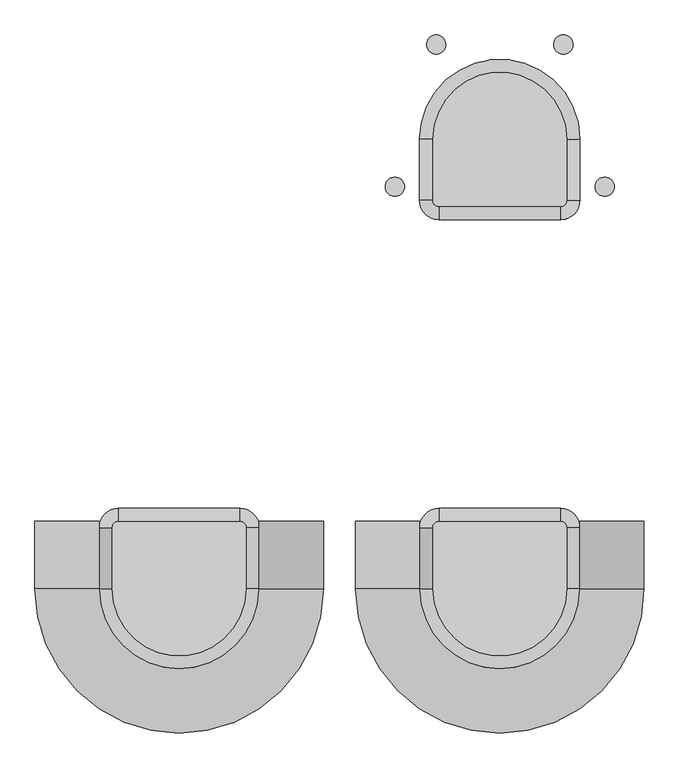
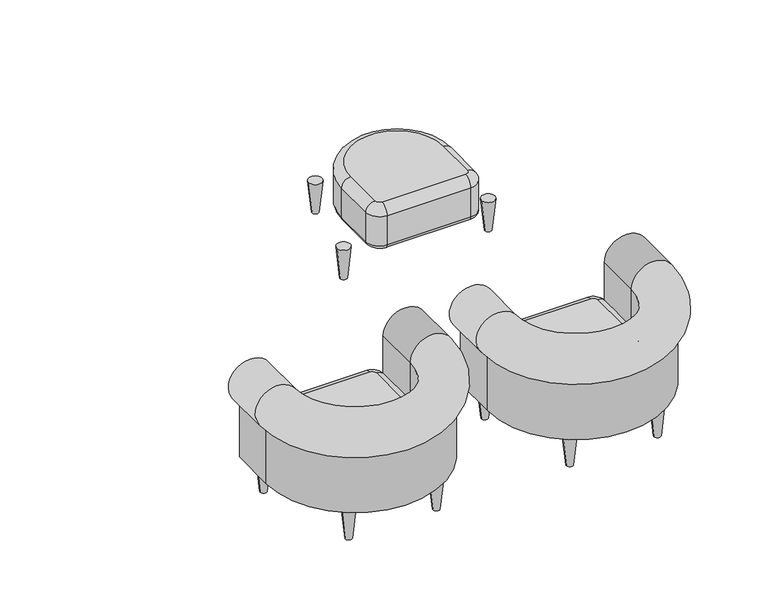
"""IFC4 building model written with IfcOpenShell, lengths in millimetres: furniture geometry."""

from ifc_helpers import new_model, si_unit, point, frame, origin, place, context, project, spatial, polyline, circle_curve, ellipse_curve, trimmed, source, transform, mapped, element, save
from ifc_brep_helpers import plane_surface, cylinder_surface, revolved_surface, advanced_brep


def furniture_6ce6c3d9(model_context):
    return source(origin(), model_context, "Body", "AdvancedBrep", [
        advanced_brep(
        [(250.0, -510.0, 310.0), (290.0, -510.0, 350.0), (310.0, -490.0, 350.0), (310.0, -450.0, 310.0), (310.0, -450.0, 170.0), (250.0, -510.0, 170.0), (310.0, -470.0, 150.0), (270.0, -510.0, 150.0), (250.0, -700.0, 310.0), (290.0, -700.0, 350.0), (250.0, -700.0, 170.0), (270.0, -700.0, 150.0), (750.0, -700.0, 310.0), (710.0, -700.0, 350.0), (750.0, -700.0, 170.0), (730.0, -700.0, 150.0), (750.0, -510.0, 310.0), (710.0, -510.0, 350.0), (750.0, -510.0, 170.0), (730.0, -510.0, 150.0), (690.0, -450.0, 310.0), (690.0, -490.0, 350.0), (690.0, -450.0, 170.0), (690.0, -470.0, 150.0)],
        [
            (0, 1, circle_curve(frame((290.0, -510.0, 310.0), z_axis=(0.0, 1.0, 0.0), x_axis=(1.0, 0.0, 0.0)), 40.0)),
            (1, 2, circle_curve(frame((310.0, -510.0, 350.0), z_axis=(0.0, 0.0, -1.0), x_axis=(0.0, 1.0, 0.0)), 20.0)),
            (2, 3, circle_curve(frame((310.0, -490.0, 310.0), z_axis=(-1.0, 0.0, 0.0), x_axis=(0.0, -1.0, 0.0)), 40.0)),
            (3, 0, circle_curve(frame((310.0, -510.0, 310.0), z_axis=(0.0, 0.0, 1.0), x_axis=(0.0, 1.0, 0.0)), 60.0)),
            (3, 4),
            (4, 5, circle_curve(frame((310.0, -510.0, 170.0), z_axis=(0.0, 0.0, 1.0), x_axis=(0.0, 1.0, 0.0)), 60.0)),
            (5, 0),
            (4, 6, circle_curve(frame((310.0, -470.0, 170.0), z_axis=(-1.0, 0.0, 0.0), x_axis=(0.0, -1.0, 0.0)), 20.0)),
            (6, 7, circle_curve(frame((310.0, -510.0, 150.0), z_axis=(0.0, 0.0, 1.0), x_axis=(0.0, 1.0, 0.0)), 40.0)),
            (7, 5, circle_curve(frame((270.0, -510.0, 170.0), z_axis=(0.0, 1.0, 0.0), x_axis=(1.0, 0.0, 0.0)), 20.0)),
            (0, 8),
            (8, 9, circle_curve(frame((290.0, -700.0, 310.0), z_axis=(0.0, 1.0, 0.0), x_axis=(1.0, 0.0, 0.0)), 40.0)),
            (9, 1),
            (5, 10),
            (10, 8),
            (7, 11),
            (11, 10, circle_curve(frame((270.0, -700.0, 170.0), z_axis=(0.0, 1.0, 0.0), x_axis=(1.0, 0.0, 0.0)), 20.0)),
            (8, 12, circle_curve(frame((500.0, -700.0, 310.0), z_axis=(0.0, 0.0, 1.0), x_axis=(-1.0, 0.0, 0.0)), 250.0)),
            (12, 13, circle_curve(frame((710.0, -700.0, 310.0), z_axis=(0.0, -1.0, 0.0), x_axis=(-1.0, 0.0, 0.0)), 40.0)),
            (13, 9, circle_curve(frame((500.0, -700.0, 350.0), z_axis=(0.0, 0.0, -1.0), x_axis=(-1.0, 0.0, 0.0)), 210.0)),
            (10, 14, circle_curve(frame((500.0, -700.0, 170.0), z_axis=(0.0, 0.0, 1.0), x_axis=(-1.0, 0.0, 0.0)), 250.0)),
            (14, 12),
            (11, 15, circle_curve(frame((500.0, -700.0, 150.0), z_axis=(0.0, 0.0, 1.0), x_axis=(-1.0, 0.0, 0.0)), 230.0)),
            (15, 14, circle_curve(frame((730.0, -700.0, 170.0), z_axis=(0.0, -1.0, 0.0), x_axis=(-1.0, 0.0, 0.0)), 20.0)),
            (12, 16),
            (16, 17, circle_curve(frame((710.0, -510.0, 310.0), z_axis=(0.0, -1.0, 0.0), x_axis=(-1.0, 0.0, 0.0)), 40.0)),
            (17, 13),
            (14, 18),
            (18, 16),
            (15, 19),
            (19, 18, circle_curve(frame((730.0, -510.0, 170.0), z_axis=(0.0, -1.0, 0.0), x_axis=(-1.0, 0.0, 0.0)), 20.0)),
            (16, 20, circle_curve(frame((690.0, -510.0, 310.0), z_axis=(0.0, 0.0, 1.0), x_axis=(1.0, 0.0, 0.0)), 60.0)),
            (20, 21, circle_curve(frame((690.0, -490.0, 310.0), z_axis=(1.0, 0.0, 0.0), x_axis=(0.0, -1.0, 0.0)), 40.0)),
            (21, 17, circle_curve(frame((690.0, -510.0, 350.0), z_axis=(0.0, 0.0, -1.0), x_axis=(1.0, 0.0, 0.0)), 20.0)),
            (18, 22, circle_curve(frame((690.0, -510.0, 170.0), z_axis=(0.0, 0.0, 1.0), x_axis=(1.0, 0.0, 0.0)), 60.0)),
            (22, 20),
            (19, 23, circle_curve(frame((690.0, -510.0, 150.0), z_axis=(0.0, 0.0, 1.0), x_axis=(1.0, 0.0, 0.0)), 40.0)),
            (23, 22, circle_curve(frame((690.0, -470.0, 170.0), z_axis=(1.0, 0.0, 0.0), x_axis=(0.0, -1.0, 0.0)), 20.0)),
            (2, 21),
            (20, 3),
            (22, 4),
            (23, 6),
        ],
        [
            revolved_surface(trimmed(ellipse_curve(frame((310.0, -490.0, 310.0), z_axis=(-1.0, 0.0, 0.0), x_axis=(0.0, -1.0, 0.0)), 40.0, 40.0), [point((310.0, -490.0, 350.0))], [point((310.0, -450.0, 310.0))], True, "CARTESIAN"), (310.0, -510.0, 150.0), (0.0, 0.0, -1.0)),
            cylinder_surface(frame((310.0, -510.0, 150.0), z_axis=(0.0, 0.0, -1.0), x_axis=(0.0, 1.0, 0.0)), 60.0),
            revolved_surface(trimmed(ellipse_curve(frame((310.0, -470.0, 170.0), z_axis=(-1.0, 0.0, 0.0), x_axis=(0.0, -1.0, 0.0)), 20.0, 20.0), [point((310.0, -450.0, 170.0))], [point((310.0, -470.0, 150.0))], True, "CARTESIAN"), (310.0, -510.0, 150.0), (0.0, 0.0, -1.0)),
            cylinder_surface(frame((290.0, -510.0, 310.0), z_axis=(0.0, 1.0, 0.0), x_axis=(1.0, 0.0, 0.0)), 40.0),
            plane_surface(frame((250.0, -510.0, 310.0), z_axis=(-1.0, 0.0, 0.0), x_axis=(0.0, -1.0, 0.0))),
            cylinder_surface(frame((270.0, -510.0, 170.0), z_axis=(0.0, 1.0, 0.0), x_axis=(1.0, 0.0, 0.0)), 20.0),
            revolved_surface(trimmed(ellipse_curve(frame((290.0, -700.0, 310.0), z_axis=(0.0, -1.0, 0.0), x_axis=(1.0, 0.0, 0.0)), 40.0, 40.0), [point((290.0, -700.0, 350.0))], [point((250.0, -700.0, 310.0))], True, "CARTESIAN"), (500.0, -700.0, 150.0), (0.0, 0.0, -1.0)),
            cylinder_surface(frame((500.0, -700.0, 150.0), z_axis=(0.0, 0.0, -1.0), x_axis=(-1.0, 0.0, 0.0)), 250.0),
            revolved_surface(trimmed(ellipse_curve(frame((270.0, -700.0, 170.0), z_axis=(0.0, -1.0, 0.0), x_axis=(1.0, 0.0, 0.0)), 20.0, 20.0), [point((250.0, -700.0, 170.0))], [point((270.0, -700.0, 150.0))], True, "CARTESIAN"), (500.0, -700.0, 150.0), (0.0, 0.0, -1.0)),
            cylinder_surface(frame((710.0, -700.0, 310.0), z_axis=(0.0, -1.0, 0.0), x_axis=(-1.0, 0.0, 0.0)), 40.0),
            plane_surface(frame((750.0, -700.0, 310.0), z_axis=(1.0, 0.0, 0.0), x_axis=(0.0, 1.0, 0.0))),
            cylinder_surface(frame((730.0, -700.0, 170.0), z_axis=(0.0, -1.0, 0.0), x_axis=(-1.0, 0.0, 0.0)), 20.0),
            revolved_surface(trimmed(ellipse_curve(frame((710.0, -510.0, 310.0), z_axis=(0.0, 1.0, 0.0), x_axis=(-1.0, 0.0, 0.0)), 40.0, 40.0), [point((710.0, -510.0, 350.0))], [point((750.0, -510.0, 310.0))], True, "CARTESIAN"), (690.0, -510.0, 150.0), (0.0, 0.0, -1.0)),
            cylinder_surface(frame((690.0, -510.0, 150.0), z_axis=(0.0, 0.0, -1.0), x_axis=(1.0, 0.0, 0.0)), 60.0),
            revolved_surface(trimmed(ellipse_curve(frame((730.0, -510.0, 170.0), z_axis=(0.0, 1.0, 0.0), x_axis=(-1.0, 0.0, 0.0)), 20.0, 20.0), [point((750.0, -510.0, 170.0))], [point((730.0, -510.0, 150.0))], True, "CARTESIAN"), (690.0, -510.0, 150.0), (0.0, 0.0, -1.0)),
            cylinder_surface(frame((690.0, -490.0, 310.0), z_axis=(1.0, 0.0, 0.0), x_axis=(0.0, -1.0, 0.0)), 40.0),
            plane_surface(frame((690.0, -450.0, 310.0), z_axis=(0.0, 1.0, 0.0), x_axis=(-1.0, 0.0, 0.0))),
            cylinder_surface(frame((690.0, -470.0, 170.0), z_axis=(1.0, 0.0, 0.0), x_axis=(0.0, -1.0, 0.0)), 20.0),
            plane_surface(frame((690.0, -470.0, 150.0), z_axis=(0.0, 0.0, -1.0), x_axis=(-1.0, 0.0, 0.0))),
            plane_surface(frame((690.0, -500.0, 350.0), z_axis=(0.0, 0.0, 1.0), x_axis=(-1.0, 0.0, 0.0))),
        ],
        [
            (0, [[1, 2, 3, 4]]),
            (1, [[5, 6, 7, -4]]),
            (2, [[8, 9, 10, -6]]),
            (3, [[11, 12, 13, -1]]),
            (4, [[14, 15, -11, -7]]),
            (5, [[16, 17, -14, -10]]),
            (6, [[18, 19, 20, -12]]),
            (7, [[21, 22, -18, -15]]),
            (8, [[23, 24, -21, -17]]),
            (9, [[25, 26, 27, -19]]),
            (10, [[28, 29, -25, -22]]),
            (11, [[30, 31, -28, -24]]),
            (12, [[32, 33, 34, -26]]),
            (13, [[35, 36, -32, -29]]),
            (14, [[37, 38, -35, -31]]),
            (15, [[39, -33, 40, -3]]),
            (16, [[-40, -36, 41, -5]]),
            (17, [[-41, -38, 42, -8]]),
            (18, [[-42, -37, -30, -23, -16, -9]]),
            (19, [[-13, -20, -27, -34, -39, -2]]),
        ],
    ),
        advanced_brep(
        [(857.231775, -552.485111, 150.0), (797.231775, -552.485111, 150.0), (842.231775, -552.485111, 0.0), (812.231775, -552.485111, 0.0)],
        [
            (0, 1, circle_curve(frame((827.231775, -552.485111, 150.0), z_axis=(0.0, 0.0, 1.0), x_axis=(-1.0, 0.0, 0.0)), 30.0)),
            (1, 0, circle_curve(frame((827.231775, -552.485111, 150.0), z_axis=(0.0, 0.0, 1.0), x_axis=(1.0, 0.0, 0.0)), 30.0)),
            (2, 3, circle_curve(frame((827.231775, -552.485111, 0.0), z_axis=(0.0, 0.0, -1.0), x_axis=(1.0, 0.0, 0.0)), 15.0)),
            (3, 2, circle_curve(frame((827.231775, -552.485111, 0.0), z_axis=(0.0, 0.0, -1.0), x_axis=(-1.0, 0.0, 0.0)), 15.0)),
            (2, 0),
            (1, 3),
        ],
        [
            plane_surface(frame((827.231775, -552.485111, 150.0), z_axis=(0.0, 0.0, 1.0), x_axis=(0.0, -1.0, 0.0))),
            plane_surface(frame((827.231775, -552.485111, 0.0), z_axis=(0.0, 0.0, -1.0), x_axis=(0.0, -1.0, 0.0))),
            revolved_surface(polyline([(842.231775, -552.485111, 0.0), (857.231775, -552.485111, 150.0)]), (827.231775, -552.485111, -150.0), (0.0, 0.0, 1.0)),
            revolved_surface(polyline([(812.231775, -552.485111, 0.0), (797.231775, -552.485111, 150.0)]), (827.231775, -552.485111, -150.0), (0.0, 0.0, 1.0)),
        ],
        [
            (0, [[1, 2]]),
            (1, [[3, 4]]),
            (2, [[5, -2, 6, -3]]),
            (3, [[-6, -1, -5, -4]]),
        ],
    ),
        advanced_brep(
        [(728.285525, -996.0241435, 150.0), (668.285525, -996.0241435, 150.0), (713.285525, -996.0241435, 0.0), (683.285525, -996.0241435, 0.0)],
        [
            (0, 1, circle_curve(frame((698.285525, -996.0241435, 150.0), z_axis=(0.0, 0.0, 1.0), x_axis=(-1.0, 0.0, 0.0)), 30.0)),
            (1, 0, circle_curve(frame((698.285525, -996.0241435, 150.0), z_axis=(0.0, 0.0, 1.0), x_axis=(1.0, 0.0, 0.0)), 30.0)),
            (2, 3, circle_curve(frame((698.285525, -996.0241435, 0.0), z_axis=(0.0, 0.0, -1.0), x_axis=(1.0, 0.0, 0.0)), 15.0)),
            (3, 2, circle_curve(frame((698.285525, -996.0241435, 0.0), z_axis=(0.0, 0.0, -1.0), x_axis=(-1.0, 0.0, 0.0)), 15.0)),
            (2, 0),
            (1, 3),
        ],
        [
            plane_surface(frame((698.285525, -996.0241435, 150.0), z_axis=(0.0, 0.0, 1.0), x_axis=(0.0, -1.0, 0.0))),
            plane_surface(frame((698.285525, -996.0241435, 0.0), z_axis=(0.0, 0.0, -1.0), x_axis=(0.0, -1.0, 0.0))),
            revolved_surface(polyline([(713.285525, -996.0241435, 0.0), (728.285525, -996.0241435, 150.0)]), (698.285525, -996.0241435, -150.0), (0.0, 0.0, 1.0)),
            revolved_surface(polyline([(683.285525, -996.0241435, 0.0), (668.285525, -996.0241435, 150.0)]), (698.285525, -996.0241435, -150.0), (0.0, 0.0, 1.0)),
        ],
        [
            (0, [[1, 2]]),
            (1, [[3, 4]]),
            (2, [[5, -2, 6, -3]]),
            (3, [[-6, -1, -5, -4]]),
        ],
    ),
        advanced_brep(
        [(271.714475, -996.0241435, 150.0), (331.714475, -996.0241435, 150.0), (286.714475, -996.0241435, 0.0), (316.714475, -996.0241435, 0.0)],
        [
            (0, 1, circle_curve(frame((301.714475, -996.0241435, 150.0), z_axis=(0.0, 0.0, 1.0), x_axis=(1.0, 0.0, 0.0)), 30.0)),
            (1, 0, circle_curve(frame((301.714475, -996.0241435, 150.0), z_axis=(0.0, 0.0, 1.0), x_axis=(-1.0, 0.0, 0.0)), 30.0)),
            (2, 3, circle_curve(frame((301.714475, -996.0241435, 0.0), z_axis=(0.0, 0.0, -1.0), x_axis=(-1.0, 0.0, 0.0)), 15.0)),
            (3, 2, circle_curve(frame((301.714475, -996.0241435, 0.0), z_axis=(0.0, 0.0, -1.0), x_axis=(1.0, 0.0, 0.0)), 15.0)),
            (2, 0),
            (1, 3),
        ],
        [
            plane_surface(frame((301.714475, -996.0241435, 150.0), z_axis=(0.0, 0.0, 1.0), x_axis=(0.0, 1.0, 0.0))),
            plane_surface(frame((301.714475, -996.0241435, 0.0), z_axis=(0.0, 0.0, -1.0), x_axis=(0.0, 1.0, 0.0))),
            revolved_surface(polyline([(286.714475, -996.0241435, 0.0), (271.714475, -996.0241435, 150.0)]), (301.714475, -996.0241435, -150.0), (0.0, 0.0, 1.0)),
            revolved_surface(polyline([(316.714475, -996.0241435, 0.0), (331.714475, -996.0241435, 150.0)]), (301.714475, -996.0241435, -150.0), (0.0, 0.0, 1.0)),
        ],
        [
            (0, [[1, 2]]),
            (1, [[3, 4]]),
            (2, [[5, -2, 6, -3]]),
            (3, [[-6, -1, -5, -4]]),
        ],
    ),
        advanced_brep(
        [(142.768225, -552.485111, 150.0), (202.768225, -552.485111, 150.0), (157.768225, -552.485111, 0.0), (187.768225, -552.485111, 0.0)],
        [
            (0, 1, circle_curve(frame((172.768225, -552.485111, 150.0), z_axis=(0.0, 0.0, 1.0), x_axis=(1.0, 0.0, 0.0)), 30.0)),
            (1, 0, circle_curve(frame((172.768225, -552.485111, 150.0), z_axis=(0.0, 0.0, 1.0), x_axis=(-1.0, 0.0, 0.0)), 30.0)),
            (2, 3, circle_curve(frame((172.768225, -552.485111, 0.0), z_axis=(0.0, 0.0, -1.0), x_axis=(-1.0, 0.0, 0.0)), 15.0)),
            (3, 2, circle_curve(frame((172.768225, -552.485111, 0.0), z_axis=(0.0, 0.0, -1.0), x_axis=(1.0, 0.0, 0.0)), 15.0)),
            (2, 0),
            (1, 3),
        ],
        [
            plane_surface(frame((172.768225, -552.485111, 150.0), z_axis=(0.0, 0.0, 1.0), x_axis=(0.0, 1.0, 0.0))),
            plane_surface(frame((172.768225, -552.485111, 0.0), z_axis=(0.0, 0.0, -1.0), x_axis=(0.0, 1.0, 0.0))),
            revolved_surface(polyline([(157.768225, -552.485111, 0.0), (142.768225, -552.485111, 150.0)]), (172.768225, -552.485111, -150.0), (0.0, 0.0, 1.0)),
            revolved_surface(polyline([(187.768225, -552.485111, 0.0), (202.768225, -552.485111, 150.0)]), (172.768225, -552.485111, -150.0), (0.0, 0.0, 1.0)),
        ],
        [
            (0, [[1, 2]]),
            (1, [[3, 4]]),
            (2, [[5, -2, 6, -3]]),
            (3, [[-6, -1, -5, -4]]),
        ],
    ),
        advanced_brep(
        [(750.0, -490.0, 500.0), (900.0, -490.0, 413.3974596), (900.0, -490.0, 150.0), (750.0, -490.0, 150.0), (750.0, -700.0, 150.0), (750.0, -700.0, 500.0), (900.0, -700.0, 150.0), (100.0, -700.0, 150.0), (100.0, -490.0, 150.0), (250.0, -490.0, 150.0), (250.0, -700.0, 150.0), (900.0, -700.0, 413.3974596), (250.0, -700.0, 500.0), (100.0, -700.0, 413.3974596), (250.0, -490.0, 500.0), (100.0, -490.0, 413.3974596)],
        [
            (0, 1, circle_curve(frame((850.0, -490.0, 500.0), z_axis=(0.0, 1.0, 0.0), x_axis=(1.0, 0.0, 0.0)), 100.0)),
            (1, 2),
            (2, 3),
            (3, 0),
            (3, 4),
            (4, 5),
            (5, 0),
            (2, 6),
            (6, 7, circle_curve(frame((500.0, -700.0, 150.0), z_axis=(0.0, 0.0, -1.0), x_axis=(1.0, 0.0, 0.0)), 400.0)),
            (7, 8),
            (8, 9),
            (9, 10),
            (10, 4, circle_curve(frame((500.0, -700.0, 150.0), z_axis=(0.0, 0.0, 1.0), x_axis=(1.0, 0.0, 0.0)), 250.0)),
            (1, 11),
            (11, 6),
            (5, 11, circle_curve(frame((850.0, -700.0, 500.0), z_axis=(0.0, 1.0, 0.0), x_axis=(1.0, 0.0, 0.0)), 100.0)),
            (10, 12),
            (12, 5, circle_curve(frame((500.0, -700.0, 500.0), z_axis=(0.0, 0.0, 1.0), x_axis=(1.0, 0.0, 0.0)), 250.0)),
            (13, 7),
            (11, 13, circle_curve(frame((500.0, -700.0, 413.3974596), z_axis=(0.0, 0.0, -1.0), x_axis=(1.0, 0.0, 0.0)), 400.0)),
            (12, 13, circle_curve(frame((150.0, -700.0, 500.0), z_axis=(0.0, -1.0, 0.0), x_axis=(-1.0, 0.0, 0.0)), 100.0)),
            (14, 9),
            (8, 15),
            (15, 14, circle_curve(frame((150.0, -490.0, 500.0), z_axis=(0.0, 1.0, 0.0), x_axis=(-1.0, 0.0, 0.0)), 100.0)),
            (14, 12),
            (13, 15),
        ],
        [
            plane_surface(frame((140.119898, -490.0, 0.0), z_axis=(0.0, 1.0, 0.0), x_axis=(0.0, 0.0, 1.0))),
            plane_surface(frame((750.0, -490.0, 500.0), z_axis=(-1.0, 0.0, 0.0), x_axis=(0.0, -1.0, 0.0))),
            plane_surface(frame((750.0, -490.0, 150.0), z_axis=(0.0, 0.0, -1.0), x_axis=(0.0, -1.0, 0.0))),
            plane_surface(frame((900.0, -490.0, 150.0), z_axis=(1.0, 0.0, 0.0), x_axis=(0.0, -1.0, 0.0))),
            cylinder_surface(frame((850.0, -490.0, 500.0), z_axis=(0.0, 1.0, 0.0), x_axis=(1.0, 0.0, 0.0)), 100.0),
            revolved_surface(polyline([(750.0, -700.0, 500.0), (750.0, -700.0, 150.0)]), (500.0, -700.0, 0.0), (0.0, 0.0, 1.0)),
            cylinder_surface(frame((500.0, -700.0, 0.0), z_axis=(0.0, 0.0, 1.0), x_axis=(1.0, 0.0, 0.0)), 400.0),
            revolved_surface(trimmed(ellipse_curve(frame((850.0, -700.0, 500.0), z_axis=(0.0, -1.0, 0.0), x_axis=(1.0, 0.0, 0.0)), 100.0, 100.0), [point((900.0, -700.0, 413.3974596))], [point((750.0, -700.0, 500.0))], True, "CARTESIAN"), (500.0, -700.0, 0.0), (0.0, 0.0, 1.0)),
            plane_surface(frame((-359.880102, -490.0, 0.0), z_axis=(0.0, 1.0, 0.0), x_axis=(0.0, 0.0, -1.0))),
            plane_surface(frame((250.0, -700.0, 500.0), z_axis=(1.0, 0.0, 0.0), x_axis=(0.0, 1.0, 0.0))),
            plane_surface(frame((100.0, -700.0, 150.0), z_axis=(-1.0, 0.0, 0.0), x_axis=(0.0, 1.0, 0.0))),
            cylinder_surface(frame((150.0, -700.0, 500.0), z_axis=(0.0, -1.0, 0.0), x_axis=(-1.0, 0.0, 0.0)), 100.0),
        ],
        [
            (0, [[1, 2, 3, 4]]),
            (1, [[5, 6, 7, -4]]),
            (2, [[8, 9, 10, 11, 12, 13, -5, -3]]),
            (3, [[14, 15, -8, -2]]),
            (4, [[-7, 16, -14, -1]]),
            (5, [[17, 18, -6, -13]]),
            (6, [[19, -9, -15, 20]]),
            (7, [[21, -20, -16, -18]]),
            (8, [[22, -11, 23, 24]]),
            (9, [[-12, -22, 25, -17]]),
            (10, [[26, -23, -10, -19]]),
            (11, [[-25, -24, -26, -21]]),
        ],
    ),
        advanced_brep(
        [(-750.0, -510.0, 310.0), (-710.0, -510.0, 350.0), (-690.0, -490.0, 350.0), (-690.0, -450.0, 310.0), (-690.0, -450.0, 170.0), (-750.0, -510.0, 170.0), (-690.0, -470.0, 150.0), (-730.0, -510.0, 150.0), (-750.0, -700.0, 310.0), (-710.0, -700.0, 350.0), (-750.0, -700.0, 170.0), (-730.0, -700.0, 150.0), (-250.0, -700.0, 310.0), (-290.0, -700.0, 350.0), (-250.0, -700.0, 170.0), (-270.0, -700.0, 150.0), (-250.0, -510.0, 310.0), (-290.0, -510.0, 350.0), (-250.0, -510.0, 170.0), (-270.0, -510.0, 150.0), (-310.0, -450.0, 310.0), (-310.0, -490.0, 350.0), (-310.0, -450.0, 170.0), (-310.0, -470.0, 150.0)],
        [
            (0, 1, circle_curve(frame((-710.0, -510.0, 310.0), z_axis=(0.0, 1.0, 0.0), x_axis=(1.0, 0.0, 0.0)), 40.0)),
            (1, 2, circle_curve(frame((-690.0, -510.0, 350.0), z_axis=(0.0, 0.0, -1.0), x_axis=(0.0, 1.0, 0.0)), 20.0)),
            (2, 3, circle_curve(frame((-690.0, -490.0, 310.0), z_axis=(-1.0, 0.0, 0.0), x_axis=(0.0, -1.0, 0.0)), 40.0)),
            (3, 0, circle_curve(frame((-690.0, -510.0, 310.0), z_axis=(0.0, 0.0, 1.0), x_axis=(0.0, 1.0, 0.0)), 60.0)),
            (3, 4),
            (4, 5, circle_curve(frame((-690.0, -510.0, 170.0), z_axis=(0.0, 0.0, 1.0), x_axis=(0.0, 1.0, 0.0)), 60.0)),
            (5, 0),
            (4, 6, circle_curve(frame((-690.0, -470.0, 170.0), z_axis=(-1.0, 0.0, 0.0), x_axis=(0.0, -1.0, 0.0)), 20.0)),
            (6, 7, circle_curve(frame((-690.0, -510.0, 150.0), z_axis=(0.0, 0.0, 1.0), x_axis=(0.0, 1.0, 0.0)), 40.0)),
            (7, 5, circle_curve(frame((-730.0, -510.0, 170.0), z_axis=(0.0, 1.0, 0.0), x_axis=(1.0, 0.0, 0.0)), 20.0)),
            (0, 8),
            (8, 9, circle_curve(frame((-710.0, -700.0, 310.0), z_axis=(0.0, 1.0, 0.0), x_axis=(1.0, 0.0, 0.0)), 40.0)),
            (9, 1),
            (5, 10),
            (10, 8),
            (7, 11),
            (11, 10, circle_curve(frame((-730.0, -700.0, 170.0), z_axis=(0.0, 1.0, 0.0), x_axis=(1.0, 0.0, 0.0)), 20.0)),
            (8, 12, circle_curve(frame((-500.0, -700.0, 310.0), z_axis=(0.0, 0.0, 1.0), x_axis=(-1.0, 0.0, 0.0)), 250.0)),
            (12, 13, circle_curve(frame((-290.0, -700.0, 310.0), z_axis=(0.0, -1.0, 0.0), x_axis=(-1.0, 0.0, 0.0)), 40.0)),
            (13, 9, circle_curve(frame((-500.0, -700.0, 350.0), z_axis=(0.0, 0.0, -1.0), x_axis=(-1.0, 0.0, 0.0)), 210.0)),
            (10, 14, circle_curve(frame((-500.0, -700.0, 170.0), z_axis=(0.0, 0.0, 1.0), x_axis=(-1.0, 0.0, 0.0)), 250.0)),
            (14, 12),
            (11, 15, circle_curve(frame((-500.0, -700.0, 150.0), z_axis=(0.0, 0.0, 1.0), x_axis=(-1.0, 0.0, 0.0)), 230.0)),
            (15, 14, circle_curve(frame((-270.0, -700.0, 170.0), z_axis=(0.0, -1.0, 0.0), x_axis=(-1.0, 0.0, 0.0)), 20.0)),
            (12, 16),
            (16, 17, circle_curve(frame((-290.0, -510.0, 310.0), z_axis=(0.0, -1.0, 0.0), x_axis=(-1.0, 0.0, 0.0)), 40.0)),
            (17, 13),
            (14, 18),
            (18, 16),
            (15, 19),
            (19, 18, circle_curve(frame((-270.0, -510.0, 170.0), z_axis=(0.0, -1.0, 0.0), x_axis=(-1.0, 0.0, 0.0)), 20.0)),
            (16, 20, circle_curve(frame((-310.0, -510.0, 310.0), z_axis=(0.0, 0.0, 1.0), x_axis=(1.0, 0.0, 0.0)), 60.0)),
            (20, 21, circle_curve(frame((-310.0, -490.0, 310.0), z_axis=(1.0, 0.0, 0.0), x_axis=(0.0, -1.0, 0.0)), 40.0)),
            (21, 17, circle_curve(frame((-310.0, -510.0, 350.0), z_axis=(0.0, 0.0, -1.0), x_axis=(1.0, 0.0, 0.0)), 20.0)),
            (18, 22, circle_curve(frame((-310.0, -510.0, 170.0), z_axis=(0.0, 0.0, 1.0), x_axis=(1.0, 0.0, 0.0)), 60.0)),
            (22, 20),
            (19, 23, circle_curve(frame((-310.0, -510.0, 150.0), z_axis=(0.0, 0.0, 1.0), x_axis=(1.0, 0.0, 0.0)), 40.0)),
            (23, 22, circle_curve(frame((-310.0, -470.0, 170.0), z_axis=(1.0, 0.0, 0.0), x_axis=(0.0, -1.0, 0.0)), 20.0)),
            (2, 21),
            (20, 3),
            (22, 4),
            (23, 6),
        ],
        [
            revolved_surface(trimmed(ellipse_curve(frame((-690.0, -490.0, 310.0), z_axis=(-1.0, 0.0, 0.0), x_axis=(0.0, -1.0, 0.0)), 40.0, 40.0), [point((-690.0, -490.0, 350.0))], [point((-690.0, -450.0, 310.0))], True, "CARTESIAN"), (-690.0, -510.0, 150.0), (0.0, 0.0, -1.0)),
            cylinder_surface(frame((-690.0, -510.0, 150.0), z_axis=(0.0, 0.0, -1.0), x_axis=(0.0, 1.0, 0.0)), 60.0),
            revolved_surface(trimmed(ellipse_curve(frame((-690.0, -470.0, 170.0), z_axis=(-1.0, 0.0, 0.0), x_axis=(0.0, -1.0, 0.0)), 20.0, 20.0), [point((-690.0, -450.0, 170.0))], [point((-690.0, -470.0, 150.0))], True, "CARTESIAN"), (-690.0, -510.0, 150.0), (0.0, 0.0, -1.0)),
            cylinder_surface(frame((-710.0, -510.0, 310.0), z_axis=(0.0, 1.0, 0.0), x_axis=(1.0, 0.0, 0.0)), 40.0),
            plane_surface(frame((-750.0, -510.0, 310.0), z_axis=(-1.0, 0.0, 0.0), x_axis=(0.0, -1.0, 0.0))),
            cylinder_surface(frame((-730.0, -510.0, 170.0), z_axis=(0.0, 1.0, 0.0), x_axis=(1.0, 0.0, 0.0)), 20.0),
            revolved_surface(trimmed(ellipse_curve(frame((-710.0, -700.0, 310.0), z_axis=(0.0, -1.0, 0.0), x_axis=(1.0, 0.0, 0.0)), 40.0, 40.0), [point((-710.0, -700.0, 350.0))], [point((-750.0, -700.0, 310.0))], True, "CARTESIAN"), (-500.0, -700.0, 150.0), (0.0, 0.0, -1.0)),
            cylinder_surface(frame((-500.0, -700.0, 150.0), z_axis=(0.0, 0.0, -1.0), x_axis=(-1.0, 0.0, 0.0)), 250.0),
            revolved_surface(trimmed(ellipse_curve(frame((-730.0, -700.0, 170.0), z_axis=(0.0, -1.0, 0.0), x_axis=(1.0, 0.0, 0.0)), 20.0, 20.0), [point((-750.0, -700.0, 170.0))], [point((-730.0, -700.0, 150.0))], True, "CARTESIAN"), (-500.0, -700.0, 150.0), (0.0, 0.0, -1.0)),
            cylinder_surface(frame((-290.0, -700.0, 310.0), z_axis=(0.0, -1.0, 0.0), x_axis=(-1.0, 0.0, 0.0)), 40.0),
            plane_surface(frame((-250.0, -700.0, 310.0), z_axis=(1.0, 0.0, 0.0), x_axis=(0.0, 1.0, 0.0))),
            cylinder_surface(frame((-270.0, -700.0, 170.0), z_axis=(0.0, -1.0, 0.0), x_axis=(-1.0, 0.0, 0.0)), 20.0),
            revolved_surface(trimmed(ellipse_curve(frame((-290.0, -510.0, 310.0), z_axis=(0.0, 1.0, 0.0), x_axis=(-1.0, 0.0, 0.0)), 40.0, 40.0), [point((-290.0, -510.0, 350.0))], [point((-250.0, -510.0, 310.0))], True, "CARTESIAN"), (-310.0, -510.0, 150.0), (0.0, 0.0, -1.0)),
            cylinder_surface(frame((-310.0, -510.0, 150.0), z_axis=(0.0, 0.0, -1.0), x_axis=(1.0, 0.0, 0.0)), 60.0),
            revolved_surface(trimmed(ellipse_curve(frame((-270.0, -510.0, 170.0), z_axis=(0.0, 1.0, 0.0), x_axis=(-1.0, 0.0, 0.0)), 20.0, 20.0), [point((-250.0, -510.0, 170.0))], [point((-270.0, -510.0, 150.0))], True, "CARTESIAN"), (-310.0, -510.0, 150.0), (0.0, 0.0, -1.0)),
            cylinder_surface(frame((-310.0, -490.0, 310.0), z_axis=(1.0, 0.0, 0.0), x_axis=(0.0, -1.0, 0.0)), 40.0),
            plane_surface(frame((-310.0, -450.0, 310.0), z_axis=(0.0, 1.0, 0.0), x_axis=(-1.0, 0.0, 0.0))),
            cylinder_surface(frame((-310.0, -470.0, 170.0), z_axis=(1.0, 0.0, 0.0), x_axis=(0.0, -1.0, 0.0)), 20.0),
            plane_surface(frame((-310.0, -470.0, 150.0), z_axis=(0.0, 0.0, -1.0), x_axis=(-1.0, 0.0, 0.0))),
            plane_surface(frame((-310.0, -500.0, 350.0), z_axis=(0.0, 0.0, 1.0), x_axis=(-1.0, 0.0, 0.0))),
        ],
        [
            (0, [[1, 2, 3, 4]]),
            (1, [[5, 6, 7, -4]]),
            (2, [[8, 9, 10, -6]]),
            (3, [[11, 12, 13, -1]]),
            (4, [[14, 15, -11, -7]]),
            (5, [[16, 17, -14, -10]]),
            (6, [[18, 19, 20, -12]]),
            (7, [[21, 22, -18, -15]]),
            (8, [[23, 24, -21, -17]]),
            (9, [[25, 26, 27, -19]]),
            (10, [[28, 29, -25, -22]]),
            (11, [[30, 31, -28, -24]]),
            (12, [[32, 33, 34, -26]]),
            (13, [[35, 36, -32, -29]]),
            (14, [[37, 38, -35, -31]]),
            (15, [[39, -33, 40, -3]]),
            (16, [[-40, -36, 41, -5]]),
            (17, [[-41, -38, 42, -8]]),
            (18, [[-42, -37, -30, -23, -16, -9]]),
            (19, [[-13, -20, -27, -34, -39, -2]]),
        ],
    ),
        advanced_brep(
        [(-142.768225, -552.485111, 150.0), (-202.768225, -552.485111, 150.0), (-157.768225, -552.485111, 0.0), (-187.768225, -552.485111, 0.0)],
        [
            (0, 1, circle_curve(frame((-172.768225, -552.485111, 150.0), z_axis=(0.0, 0.0, 1.0), x_axis=(-1.0, 0.0, 0.0)), 30.0)),
            (1, 0, circle_curve(frame((-172.768225, -552.485111, 150.0), z_axis=(0.0, 0.0, 1.0), x_axis=(1.0, 0.0, 0.0)), 30.0)),
            (2, 3, circle_curve(frame((-172.768225, -552.485111, 0.0), z_axis=(0.0, 0.0, -1.0), x_axis=(1.0, 0.0, 0.0)), 15.0)),
            (3, 2, circle_curve(frame((-172.768225, -552.485111, 0.0), z_axis=(0.0, 0.0, -1.0), x_axis=(-1.0, 0.0, 0.0)), 15.0)),
            (2, 0),
            (1, 3),
        ],
        [
            plane_surface(frame((-172.768225, -552.485111, 150.0), z_axis=(0.0, 0.0, 1.0), x_axis=(0.0, -1.0, 0.0))),
            plane_surface(frame((-172.768225, -552.485111, 0.0), z_axis=(0.0, 0.0, -1.0), x_axis=(0.0, -1.0, 0.0))),
            revolved_surface(polyline([(-157.768225, -552.485111, 0.0), (-142.768225, -552.485111, 150.0)]), (-172.768225, -552.485111, -150.0), (0.0, 0.0, 1.0)),
            revolved_surface(polyline([(-187.768225, -552.485111, 0.0), (-202.768225, -552.485111, 150.0)]), (-172.768225, -552.485111, -150.0), (0.0, 0.0, 1.0)),
        ],
        [
            (0, [[1, 2]]),
            (1, [[3, 4]]),
            (2, [[5, -2, 6, -3]]),
            (3, [[-6, -1, -5, -4]]),
        ],
    ),
        advanced_brep(
        [(-271.714475, -996.0241435, 150.0), (-331.714475, -996.0241435, 150.0), (-286.714475, -996.0241435, 0.0), (-316.714475, -996.0241435, 0.0)],
        [
            (0, 1, circle_curve(frame((-301.714475, -996.0241435, 150.0), z_axis=(0.0, 0.0, 1.0), x_axis=(-1.0, 0.0, 0.0)), 30.0)),
            (1, 0, circle_curve(frame((-301.714475, -996.0241435, 150.0), z_axis=(0.0, 0.0, 1.0), x_axis=(1.0, 0.0, 0.0)), 30.0)),
            (2, 3, circle_curve(frame((-301.714475, -996.0241435, 0.0), z_axis=(0.0, 0.0, -1.0), x_axis=(1.0, 0.0, 0.0)), 15.0)),
            (3, 2, circle_curve(frame((-301.714475, -996.0241435, 0.0), z_axis=(0.0, 0.0, -1.0), x_axis=(-1.0, 0.0, 0.0)), 15.0)),
            (2, 0),
            (1, 3),
        ],
        [
            plane_surface(frame((-301.714475, -996.0241435, 150.0), z_axis=(0.0, 0.0, 1.0), x_axis=(0.0, -1.0, 0.0))),
            plane_surface(frame((-301.714475, -996.0241435, 0.0), z_axis=(0.0, 0.0, -1.0), x_axis=(0.0, -1.0, 0.0))),
            revolved_surface(polyline([(-286.714475, -996.0241435, 0.0), (-271.714475, -996.0241435, 150.0)]), (-301.714475, -996.0241435, -150.0), (0.0, 0.0, 1.0)),
            revolved_surface(polyline([(-316.714475, -996.0241435, 0.0), (-331.714475, -996.0241435, 150.0)]), (-301.714475, -996.0241435, -150.0), (0.0, 0.0, 1.0)),
        ],
        [
            (0, [[1, 2]]),
            (1, [[3, 4]]),
            (2, [[5, -2, 6, -3]]),
            (3, [[-6, -1, -5, -4]]),
        ],
    ),
        advanced_brep(
        [(-728.285525, -996.0241435, 150.0), (-668.285525, -996.0241435, 150.0), (-713.285525, -996.0241435, 0.0), (-683.285525, -996.0241435, 0.0)],
        [
            (0, 1, circle_curve(frame((-698.285525, -996.0241435, 150.0), z_axis=(0.0, 0.0, 1.0), x_axis=(1.0, 0.0, 0.0)), 30.0)),
            (1, 0, circle_curve(frame((-698.285525, -996.0241435, 150.0), z_axis=(0.0, 0.0, 1.0), x_axis=(-1.0, 0.0, 0.0)), 30.0)),
            (2, 3, circle_curve(frame((-698.285525, -996.0241435, 0.0), z_axis=(0.0, 0.0, -1.0), x_axis=(-1.0, 0.0, 0.0)), 15.0)),
            (3, 2, circle_curve(frame((-698.285525, -996.0241435, 0.0), z_axis=(0.0, 0.0, -1.0), x_axis=(1.0, 0.0, 0.0)), 15.0)),
            (2, 0),
            (1, 3),
        ],
        [
            plane_surface(frame((-698.285525, -996.0241435, 150.0), z_axis=(0.0, 0.0, 1.0), x_axis=(0.0, 1.0, 0.0))),
            plane_surface(frame((-698.285525, -996.0241435, 0.0), z_axis=(0.0, 0.0, -1.0), x_axis=(0.0, 1.0, 0.0))),
            revolved_surface(polyline([(-713.285525, -996.0241435, 0.0), (-728.285525, -996.0241435, 150.0)]), (-698.285525, -996.0241435, -150.0), (0.0, 0.0, 1.0)),
            revolved_surface(polyline([(-683.285525, -996.0241435, 0.0), (-668.285525, -996.0241435, 150.0)]), (-698.285525, -996.0241435, -150.0), (0.0, 0.0, 1.0)),
        ],
        [
            (0, [[1, 2]]),
            (1, [[3, 4]]),
            (2, [[5, -2, 6, -3]]),
            (3, [[-6, -1, -5, -4]]),
        ],
    ),
        advanced_brep(
        [(-857.231775, -552.485111, 150.0), (-797.231775, -552.485111, 150.0), (-842.231775, -552.485111, 0.0), (-812.231775, -552.485111, 0.0)],
        [
            (0, 1, circle_curve(frame((-827.231775, -552.485111, 150.0), z_axis=(0.0, 0.0, 1.0), x_axis=(1.0, 0.0, 0.0)), 30.0)),
            (1, 0, circle_curve(frame((-827.231775, -552.485111, 150.0), z_axis=(0.0, 0.0, 1.0), x_axis=(-1.0, 0.0, 0.0)), 30.0)),
            (2, 3, circle_curve(frame((-827.231775, -552.485111, 0.0), z_axis=(0.0, 0.0, -1.0), x_axis=(-1.0, 0.0, 0.0)), 15.0)),
            (3, 2, circle_curve(frame((-827.231775, -552.485111, 0.0), z_axis=(0.0, 0.0, -1.0), x_axis=(1.0, 0.0, 0.0)), 15.0)),
            (2, 0),
            (1, 3),
        ],
        [
            plane_surface(frame((-827.231775, -552.485111, 150.0), z_axis=(0.0, 0.0, 1.0), x_axis=(0.0, 1.0, 0.0))),
            plane_surface(frame((-827.231775, -552.485111, 0.0), z_axis=(0.0, 0.0, -1.0), x_axis=(0.0, 1.0, 0.0))),
            revolved_surface(polyline([(-842.231775, -552.485111, 0.0), (-857.231775, -552.485111, 150.0)]), (-827.231775, -552.485111, -150.0), (0.0, 0.0, 1.0)),
            revolved_surface(polyline([(-812.231775, -552.485111, 0.0), (-797.231775, -552.485111, 150.0)]), (-827.231775, -552.485111, -150.0), (0.0, 0.0, 1.0)),
        ],
        [
            (0, [[1, 2]]),
            (1, [[3, 4]]),
            (2, [[5, -2, 6, -3]]),
            (3, [[-6, -1, -5, -4]]),
        ],
    ),
        advanced_brep(
        [(-250.0, -490.0, 500.0), (-100.0, -490.0, 413.3974596), (-100.0, -490.0, 150.0), (-250.0, -490.0, 150.0), (-250.0, -700.0, 150.0), (-250.0, -700.0, 500.0), (-100.0, -700.0, 150.0), (-900.0, -700.0, 150.0), (-900.0, -490.0, 150.0), (-750.0, -490.0, 150.0), (-750.0, -700.0, 150.0), (-100.0, -700.0, 413.3974596), (-750.0, -700.0, 500.0), (-900.0, -700.0, 413.3974596), (-750.0, -490.0, 500.0), (-900.0, -490.0, 413.3974596)],
        [
            (0, 1, circle_curve(frame((-150.0, -490.0, 500.0), z_axis=(0.0, 1.0, 0.0), x_axis=(1.0, 0.0, 0.0)), 100.0)),
            (1, 2),
            (2, 3),
            (3, 0),
            (3, 4),
            (4, 5),
            (5, 0),
            (2, 6),
            (6, 7, circle_curve(frame((-500.0, -700.0, 150.0), z_axis=(0.0, 0.0, -1.0), x_axis=(1.0, 0.0, 0.0)), 400.0)),
            (7, 8),
            (8, 9),
            (9, 10),
            (10, 4, circle_curve(frame((-500.0, -700.0, 150.0), z_axis=(0.0, 0.0, 1.0), x_axis=(1.0, 0.0, 0.0)), 250.0)),
            (1, 11),
            (11, 6),
            (5, 11, circle_curve(frame((-150.0, -700.0, 500.0), z_axis=(0.0, 1.0, 0.0), x_axis=(1.0, 0.0, 0.0)), 100.0)),
            (10, 12),
            (12, 5, circle_curve(frame((-500.0, -700.0, 500.0), z_axis=(0.0, 0.0, 1.0), x_axis=(1.0, 0.0, 0.0)), 250.0)),
            (13, 7),
            (11, 13, circle_curve(frame((-500.0, -700.0, 413.3974596), z_axis=(0.0, 0.0, -1.0), x_axis=(1.0, 0.0, 0.0)), 400.0)),
            (12, 13, circle_curve(frame((-850.0, -700.0, 500.0), z_axis=(0.0, -1.0, 0.0), x_axis=(-1.0, 0.0, 0.0)), 100.0)),
            (14, 9),
            (8, 15),
            (15, 14, circle_curve(frame((-850.0, -490.0, 500.0), z_axis=(0.0, 1.0, 0.0), x_axis=(-1.0, 0.0, 0.0)), 100.0)),
            (14, 12),
            (13, 15),
        ],
        [
            plane_surface(frame((-859.880102, -490.0, 0.0), z_axis=(0.0, 1.0, 0.0), x_axis=(0.0, 0.0, 1.0))),
            plane_surface(frame((-250.0, -490.0, 500.0), z_axis=(-1.0, 0.0, 0.0), x_axis=(0.0, -1.0, 0.0))),
            plane_surface(frame((-250.0, -490.0, 150.0), z_axis=(0.0, 0.0, -1.0), x_axis=(0.0, -1.0, 0.0))),
            plane_surface(frame((-100.0, -490.0, 150.0), z_axis=(1.0, 0.0, 0.0), x_axis=(0.0, -1.0, 0.0))),
            cylinder_surface(frame((-150.0, -490.0, 500.0), z_axis=(0.0, 1.0, 0.0), x_axis=(1.0, 0.0, 0.0)), 100.0),
            revolved_surface(polyline([(-250.0, -700.0, 500.0), (-250.0, -700.0, 150.0)]), (-500.0, -700.0, 0.0), (0.0, 0.0, 1.0)),
            cylinder_surface(frame((-500.0, -700.0, 0.0), z_axis=(0.0, 0.0, 1.0), x_axis=(1.0, 0.0, 0.0)), 400.0),
            revolved_surface(trimmed(ellipse_curve(frame((-150.0, -700.0, 500.0), z_axis=(0.0, -1.0, 0.0), x_axis=(1.0, 0.0, 0.0)), 100.0, 100.0), [point((-100.0, -700.0, 413.3974596))], [point((-250.0, -700.0, 500.0))], True, "CARTESIAN"), (-500.0, -700.0, 0.0), (0.0, 0.0, 1.0)),
            plane_surface(frame((-1359.880102, -490.0, 0.0), z_axis=(0.0, 1.0, 0.0), x_axis=(0.0, 0.0, -1.0))),
            plane_surface(frame((-750.0, -700.0, 500.0), z_axis=(1.0, 0.0, 0.0), x_axis=(0.0, 1.0, 0.0))),
            plane_surface(frame((-900.0, -700.0, 150.0), z_axis=(-1.0, 0.0, 0.0), x_axis=(0.0, 1.0, 0.0))),
            cylinder_surface(frame((-850.0, -700.0, 500.0), z_axis=(0.0, -1.0, 0.0), x_axis=(-1.0, 0.0, 0.0)), 100.0),
        ],
        [
            (0, [[1, 2, 3, 4]]),
            (1, [[5, 6, 7, -4]]),
            (2, [[8, 9, 10, 11, 12, 13, -5, -3]]),
            (3, [[14, 15, -8, -2]]),
            (4, [[-7, 16, -14, -1]]),
            (5, [[17, 18, -6, -13]]),
            (6, [[19, -9, -15, 20]]),
            (7, [[21, -20, -16, -18]]),
            (8, [[22, -11, 23, 24]]),
            (9, [[-12, -22, 25, -17]]),
            (10, [[26, -23, -10, -19]]),
            (11, [[-25, -24, -26, -21]]),
        ],
    ),
        advanced_brep(
        [(250.0, 510.0, 310.0), (310.0, 450.0, 310.0), (310.0, 490.0, 350.0), (290.0, 510.0, 350.0), (250.0, 510.0, 170.0), (310.0, 450.0, 170.0), (270.0, 510.0, 150.0), (310.0, 470.0, 150.0), (290.0, 700.0, 350.0), (250.0, 700.0, 310.0), (250.0, 700.0, 170.0), (270.0, 700.0, 150.0), (710.0, 700.0, 350.0), (750.0, 700.0, 310.0), (750.0, 700.0, 170.0), (730.0, 700.0, 150.0), (710.0, 510.0, 350.0), (750.0, 510.0, 310.0), (750.0, 510.0, 170.0), (730.0, 510.0, 150.0), (690.0, 490.0, 350.0), (690.0, 450.0, 310.0), (690.0, 450.0, 170.0), (690.0, 470.0, 150.0)],
        [
            (0, 1, circle_curve(frame((310.0, 510.0, 310.0), z_axis=(0.0, 0.0, 1.0), x_axis=(0.0, -1.0, 0.0)), 60.0)),
            (1, 2, circle_curve(frame((310.0, 490.0, 310.0), z_axis=(-1.0, 0.0, 0.0), x_axis=(0.0, 1.0, 0.0)), 40.0)),
            (2, 3, circle_curve(frame((310.0, 510.0, 350.0), z_axis=(0.0, 0.0, -1.0), x_axis=(0.0, -1.0, 0.0)), 20.0)),
            (3, 0, circle_curve(frame((290.0, 510.0, 310.0), z_axis=(0.0, -1.0, 0.0), x_axis=(1.0, 0.0, 0.0)), 40.0)),
            (0, 4),
            (4, 5, circle_curve(frame((310.0, 510.0, 170.0), z_axis=(0.0, 0.0, 1.0), x_axis=(0.0, -1.0, 0.0)), 60.0)),
            (5, 1),
            (4, 6, circle_curve(frame((270.0, 510.0, 170.0), z_axis=(0.0, -1.0, 0.0), x_axis=(1.0, 0.0, 0.0)), 20.0)),
            (6, 7, circle_curve(frame((310.0, 510.0, 150.0), z_axis=(0.0, 0.0, 1.0), x_axis=(0.0, -1.0, 0.0)), 40.0)),
            (7, 5, circle_curve(frame((310.0, 470.0, 170.0), z_axis=(-1.0, 0.0, 0.0), x_axis=(0.0, 1.0, 0.0)), 20.0)),
            (3, 8),
            (8, 9, circle_curve(frame((290.0, 700.0, 310.0), z_axis=(0.0, -1.0, 0.0), x_axis=(1.0, 0.0, 0.0)), 40.0)),
            (9, 0),
            (9, 10),
            (10, 4),
            (10, 11, circle_curve(frame((270.0, 700.0, 170.0), z_axis=(0.0, -1.0, 0.0), x_axis=(1.0, 0.0, 0.0)), 20.0)),
            (11, 6),
            (8, 12, circle_curve(frame((500.0, 700.0, 350.0), z_axis=(0.0, 0.0, -1.0), x_axis=(-1.0, 0.0, 0.0)), 210.0)),
            (12, 13, circle_curve(frame((710.0, 700.0, 310.0), z_axis=(0.0, 1.0, 0.0), x_axis=(-1.0, 0.0, 0.0)), 40.0)),
            (13, 9, circle_curve(frame((500.0, 700.0, 310.0), z_axis=(0.0, 0.0, 1.0), x_axis=(-1.0, 0.0, 0.0)), 250.0)),
            (13, 14),
            (14, 10, circle_curve(frame((500.0, 700.0, 170.0), z_axis=(0.0, 0.0, 1.0), x_axis=(-1.0, 0.0, 0.0)), 250.0)),
            (14, 15, circle_curve(frame((730.0, 700.0, 170.0), z_axis=(0.0, 1.0, 0.0), x_axis=(-1.0, 0.0, 0.0)), 20.0)),
            (15, 11, circle_curve(frame((500.0, 700.0, 150.0), z_axis=(0.0, 0.0, 1.0), x_axis=(-1.0, 0.0, 0.0)), 230.0)),
            (12, 16),
            (16, 17, circle_curve(frame((710.0, 510.0, 310.0), z_axis=(0.0, 1.0, 0.0), x_axis=(-1.0, 0.0, 0.0)), 40.0)),
            (17, 13),
            (17, 18),
            (18, 14),
            (18, 19, circle_curve(frame((730.0, 510.0, 170.0), z_axis=(0.0, 1.0, 0.0), x_axis=(-1.0, 0.0, 0.0)), 20.0)),
            (19, 15),
            (16, 20, circle_curve(frame((690.0, 510.0, 350.0), z_axis=(0.0, 0.0, -1.0), x_axis=(1.0, 0.0, 0.0)), 20.0)),
            (20, 21, circle_curve(frame((690.0, 490.0, 310.0), z_axis=(1.0, 0.0, 0.0), x_axis=(0.0, 1.0, 0.0)), 40.0)),
            (21, 17, circle_curve(frame((690.0, 510.0, 310.0), z_axis=(0.0, 0.0, 1.0), x_axis=(1.0, 0.0, 0.0)), 60.0)),
            (21, 22),
            (22, 18, circle_curve(frame((690.0, 510.0, 170.0), z_axis=(0.0, 0.0, 1.0), x_axis=(1.0, 0.0, 0.0)), 60.0)),
            (22, 23, circle_curve(frame((690.0, 470.0, 170.0), z_axis=(1.0, 0.0, 0.0), x_axis=(0.0, 1.0, 0.0)), 20.0)),
            (23, 19, circle_curve(frame((690.0, 510.0, 150.0), z_axis=(0.0, 0.0, 1.0), x_axis=(1.0, 0.0, 0.0)), 40.0)),
            (1, 21),
            (20, 2),
            (5, 22),
            (7, 23),
        ],
        [
            revolved_surface(trimmed(ellipse_curve(frame((310.0, 490.0, 310.0), z_axis=(1.0, 0.0, 0.0), x_axis=(0.0, 1.0, 0.0)), 40.0, 40.0), [point((310.0, 490.0, 350.0))], [point((310.0, 450.0, 310.0))], True, "CARTESIAN"), (310.0, 510.0, 150.0), (0.0, 0.0, -1.0)),
            cylinder_surface(frame((310.0, 510.0, 150.0), z_axis=(0.0, 0.0, -1.0), x_axis=(0.0, -1.0, 0.0)), 60.0),
            revolved_surface(trimmed(ellipse_curve(frame((310.0, 470.0, 170.0), z_axis=(1.0, 0.0, 0.0), x_axis=(0.0, 1.0, 0.0)), 20.0, 20.0), [point((310.0, 450.0, 170.0))], [point((310.0, 470.0, 150.0))], True, "CARTESIAN"), (310.0, 510.0, 150.0), (0.0, 0.0, -1.0)),
            cylinder_surface(frame((290.0, 510.0, 310.0), z_axis=(0.0, -1.0, 0.0), x_axis=(1.0, 0.0, 0.0)), 40.0),
            plane_surface(frame((250.0, 510.0, 310.0), z_axis=(-1.0, 0.0, 0.0), x_axis=(0.0, 1.0, 0.0))),
            cylinder_surface(frame((270.0, 510.0, 170.0), z_axis=(0.0, -1.0, 0.0), x_axis=(1.0, 0.0, 0.0)), 20.0),
            revolved_surface(trimmed(ellipse_curve(frame((290.0, 700.0, 310.0), z_axis=(0.0, -1.0, 0.0), x_axis=(1.0, 0.0, 0.0)), 40.0, 40.0), [point((290.0, 700.0, 350.0))], [point((250.0, 700.0, 310.0))], True, "CARTESIAN"), (500.0, 700.0, 150.0), (0.0, 0.0, -1.0)),
            cylinder_surface(frame((500.0, 700.0, 150.0), z_axis=(0.0, 0.0, -1.0), x_axis=(-1.0, 0.0, 0.0)), 250.0),
            revolved_surface(trimmed(ellipse_curve(frame((270.0, 700.0, 170.0), z_axis=(0.0, -1.0, 0.0), x_axis=(1.0, 0.0, 0.0)), 20.0, 20.0), [point((250.0, 700.0, 170.0))], [point((270.0, 700.0, 150.0))], True, "CARTESIAN"), (500.0, 700.0, 150.0), (0.0, 0.0, -1.0)),
            cylinder_surface(frame((710.0, 700.0, 310.0), z_axis=(0.0, 1.0, 0.0), x_axis=(-1.0, 0.0, 0.0)), 40.0),
            plane_surface(frame((750.0, 700.0, 310.0), z_axis=(1.0, 0.0, 0.0), x_axis=(0.0, -1.0, 0.0))),
            cylinder_surface(frame((730.0, 700.0, 170.0), z_axis=(0.0, 1.0, 0.0), x_axis=(-1.0, 0.0, 0.0)), 20.0),
            revolved_surface(trimmed(ellipse_curve(frame((710.0, 510.0, 310.0), z_axis=(0.0, 1.0, 0.0), x_axis=(-1.0, 0.0, 0.0)), 40.0, 40.0), [point((710.0, 510.0, 350.0))], [point((750.0, 510.0, 310.0))], True, "CARTESIAN"), (690.0, 510.0, 150.0), (0.0, 0.0, -1.0)),
            cylinder_surface(frame((690.0, 510.0, 150.0), z_axis=(0.0, 0.0, -1.0), x_axis=(1.0, 0.0, 0.0)), 60.0),
            revolved_surface(trimmed(ellipse_curve(frame((730.0, 510.0, 170.0), z_axis=(0.0, 1.0, 0.0), x_axis=(-1.0, 0.0, 0.0)), 20.0, 20.0), [point((750.0, 510.0, 170.0))], [point((730.0, 510.0, 150.0))], True, "CARTESIAN"), (690.0, 510.0, 150.0), (0.0, 0.0, -1.0)),
            cylinder_surface(frame((690.0, 490.0, 310.0), z_axis=(1.0, 0.0, 0.0), x_axis=(0.0, 1.0, 0.0)), 40.0),
            plane_surface(frame((690.0, 450.0, 310.0), z_axis=(0.0, -1.0, 0.0), x_axis=(-1.0, 0.0, 0.0))),
            cylinder_surface(frame((690.0, 470.0, 170.0), z_axis=(1.0, 0.0, 0.0), x_axis=(0.0, 1.0, 0.0)), 20.0),
            plane_surface(frame((690.0, 470.0, 150.0), z_axis=(0.0, 0.0, -1.0), x_axis=(-1.0, 0.0, 0.0))),
            plane_surface(frame((690.0, 500.0, 350.0), z_axis=(0.0, 0.0, 1.0), x_axis=(-1.0, 0.0, 0.0))),
        ],
        [
            (0, [[1, 2, 3, 4]]),
            (1, [[-1, 5, 6, 7]]),
            (2, [[-6, 8, 9, 10]]),
            (3, [[-4, 11, 12, 13]]),
            (4, [[-5, -13, 14, 15]]),
            (5, [[-8, -15, 16, 17]]),
            (6, [[-12, 18, 19, 20]]),
            (7, [[-14, -20, 21, 22]]),
            (8, [[-16, -22, 23, 24]]),
            (9, [[-19, 25, 26, 27]]),
            (10, [[-21, -27, 28, 29]]),
            (11, [[-23, -29, 30, 31]]),
            (12, [[-26, 32, 33, 34]]),
            (13, [[-28, -34, 35, 36]]),
            (14, [[-30, -36, 37, 38]]),
            (15, [[-2, 39, -33, 40]]),
            (16, [[-7, 41, -35, -39]]),
            (17, [[-10, 42, -37, -41]]),
            (18, [[-9, -17, -24, -31, -38, -42]]),
            (19, [[-3, -40, -32, -25, -18, -11]]),
        ],
    ),
        advanced_brep(
        [(857.231775, 552.485111, 150.0), (797.231775, 552.485111, 150.0), (842.231775, 552.485111, 0.0), (812.231775, 552.485111, 0.0)],
        [
            (0, 1, circle_curve(frame((827.231775, 552.485111, 150.0), z_axis=(0.0, 0.0, 1.0), x_axis=(1.0, 0.0, 0.0)), 30.0)),
            (1, 0, circle_curve(frame((827.231775, 552.485111, 150.0), z_axis=(0.0, 0.0, 1.0), x_axis=(-1.0, 0.0, 0.0)), 30.0)),
            (2, 3, circle_curve(frame((827.231775, 552.485111, 0.0), z_axis=(0.0, 0.0, -1.0), x_axis=(-1.0, 0.0, 0.0)), 15.0)),
            (3, 2, circle_curve(frame((827.231775, 552.485111, 0.0), z_axis=(0.0, 0.0, -1.0), x_axis=(1.0, 0.0, 0.0)), 15.0)),
            (3, 1),
            (0, 2),
        ],
        [
            plane_surface(frame((827.231775, 552.485111, 150.0), z_axis=(0.0, 0.0, 1.0), x_axis=(0.0, 1.0, 0.0))),
            plane_surface(frame((827.231775, 552.485111, 0.0), z_axis=(0.0, 0.0, -1.0), x_axis=(0.0, 1.0, 0.0))),
            revolved_surface(polyline([(812.231775, 552.485111, 0.0), (797.231775, 552.485111, 150.0)]), (827.231775, 552.485111, -150.0), (0.0, 0.0, 1.0)),
            revolved_surface(polyline([(842.231775, 552.485111, 0.0), (857.231775, 552.485111, 150.0)]), (827.231775, 552.485111, -150.0), (0.0, 0.0, 1.0)),
        ],
        [
            (0, [[1, 2]]),
            (1, [[3, 4]]),
            (2, [[-4, 5, -1, 6]]),
            (3, [[-3, -6, -2, -5]]),
        ],
    ),
        advanced_brep(
        [(728.285525, 996.0241435, 150.0), (668.285525, 996.0241435, 150.0), (713.285525, 996.0241435, 0.0), (683.285525, 996.0241435, 0.0)],
        [
            (0, 1, circle_curve(frame((698.285525, 996.0241435, 150.0), z_axis=(0.0, 0.0, 1.0), x_axis=(1.0, 0.0, 0.0)), 30.0)),
            (1, 0, circle_curve(frame((698.285525, 996.0241435, 150.0), z_axis=(0.0, 0.0, 1.0), x_axis=(-1.0, 0.0, 0.0)), 30.0)),
            (2, 3, circle_curve(frame((698.285525, 996.0241435, 0.0), z_axis=(0.0, 0.0, -1.0), x_axis=(-1.0, 0.0, 0.0)), 15.0)),
            (3, 2, circle_curve(frame((698.285525, 996.0241435, 0.0), z_axis=(0.0, 0.0, -1.0), x_axis=(1.0, 0.0, 0.0)), 15.0)),
            (3, 1),
            (0, 2),
        ],
        [
            plane_surface(frame((698.285525, 996.0241435, 150.0), z_axis=(0.0, 0.0, 1.0), x_axis=(0.0, 1.0, 0.0))),
            plane_surface(frame((698.285525, 996.0241435, 0.0), z_axis=(0.0, 0.0, -1.0), x_axis=(0.0, 1.0, 0.0))),
            revolved_surface(polyline([(683.285525, 996.0241435, 0.0), (668.285525, 996.0241435, 150.0)]), (698.285525, 996.0241435, -150.0), (0.0, 0.0, 1.0)),
            revolved_surface(polyline([(713.285525, 996.0241435, 0.0), (728.285525, 996.0241435, 150.0)]), (698.285525, 996.0241435, -150.0), (0.0, 0.0, 1.0)),
        ],
        [
            (0, [[1, 2]]),
            (1, [[3, 4]]),
            (2, [[-4, 5, -1, 6]]),
            (3, [[-3, -6, -2, -5]]),
        ],
    ),
        advanced_brep(
        [(271.714475, 996.0241435, 150.0), (331.714475, 996.0241435, 150.0), (286.714475, 996.0241435, 0.0), (316.714475, 996.0241435, 0.0)],
        [
            (0, 1, circle_curve(frame((301.714475, 996.0241435, 150.0), z_axis=(0.0, 0.0, 1.0), x_axis=(-1.0, 0.0, 0.0)), 30.0)),
            (1, 0, circle_curve(frame((301.714475, 996.0241435, 150.0), z_axis=(0.0, 0.0, 1.0), x_axis=(1.0, 0.0, 0.0)), 30.0)),
            (2, 3, circle_curve(frame((301.714475, 996.0241435, 0.0), z_axis=(0.0, 0.0, -1.0), x_axis=(1.0, 0.0, 0.0)), 15.0)),
            (3, 2, circle_curve(frame((301.714475, 996.0241435, 0.0), z_axis=(0.0, 0.0, -1.0), x_axis=(-1.0, 0.0, 0.0)), 15.0)),
            (3, 1),
            (0, 2),
        ],
        [
            plane_surface(frame((301.714475, 996.0241435, 150.0), z_axis=(0.0, 0.0, 1.0), x_axis=(0.0, -1.0, 0.0))),
            plane_surface(frame((301.714475, 996.0241435, 0.0), z_axis=(0.0, 0.0, -1.0), x_axis=(0.0, -1.0, 0.0))),
            revolved_surface(polyline([(316.714475, 996.0241435, 0.0), (331.714475, 996.0241435, 150.0)]), (301.714475, 996.0241435, -150.0), (0.0, 0.0, 1.0)),
            revolved_surface(polyline([(286.714475, 996.0241435, 0.0), (271.714475, 996.0241435, 150.0)]), (301.714475, 996.0241435, -150.0), (0.0, 0.0, 1.0)),
        ],
        [
            (0, [[1, 2]]),
            (1, [[3, 4]]),
            (2, [[-4, 5, -1, 6]]),
            (3, [[-3, -6, -2, -5]]),
        ],
    ),
        advanced_brep(
        [(142.768225, 552.485111, 150.0), (202.768225, 552.485111, 150.0), (157.768225, 552.485111, 0.0), (187.768225, 552.485111, 0.0)],
        [
            (0, 1, circle_curve(frame((172.768225, 552.485111, 150.0), z_axis=(0.0, 0.0, 1.0), x_axis=(-1.0, 0.0, 0.0)), 30.0)),
            (1, 0, circle_curve(frame((172.768225, 552.485111, 150.0), z_axis=(0.0, 0.0, 1.0), x_axis=(1.0, 0.0, 0.0)), 30.0)),
            (2, 3, circle_curve(frame((172.768225, 552.485111, 0.0), z_axis=(0.0, 0.0, -1.0), x_axis=(1.0, 0.0, 0.0)), 15.0)),
            (3, 2, circle_curve(frame((172.768225, 552.485111, 0.0), z_axis=(0.0, 0.0, -1.0), x_axis=(-1.0, 0.0, 0.0)), 15.0)),
            (3, 1),
            (0, 2),
        ],
        [
            plane_surface(frame((172.768225, 552.485111, 150.0), z_axis=(0.0, 0.0, 1.0), x_axis=(0.0, -1.0, 0.0))),
            plane_surface(frame((172.768225, 552.485111, 0.0), z_axis=(0.0, 0.0, -1.0), x_axis=(0.0, -1.0, 0.0))),
            revolved_surface(polyline([(187.768225, 552.485111, 0.0), (202.768225, 552.485111, 150.0)]), (172.768225, 552.485111, -150.0), (0.0, 0.0, 1.0)),
            revolved_surface(polyline([(157.768225, 552.485111, 0.0), (142.768225, 552.485111, 150.0)]), (172.768225, 552.485111, -150.0), (0.0, 0.0, 1.0)),
        ],
        [
            (0, [[1, 2]]),
            (1, [[3, 4]]),
            (2, [[-4, 5, -1, 6]]),
            (3, [[-3, -6, -2, -5]]),
        ],
    ),
    ])


if __name__ == "__main__":
    model = new_model("IFC4")
    model_context = context("Model", 3, world=origin())
    ifc_project = project(units=[si_unit("LENGTHUNIT", "METRE", prefix="MILLI")], contexts=[model_context])
    site = spatial("IfcSite", under=ifc_project)
    building = spatial("IfcBuilding", under=site)
    placement = place(None, origin())
    furniture_shape = furniture_6ce6c3d9(model_context)
    element("IfcFurniture", 1, at=placement, inside=building, context=model_context, shape_type="MappedRepresentation", body=[
        mapped(furniture_shape, transform((0.0, 0.0, 0.0), x_axis=(1.0, 0.0, 0.0), y_axis=(0.0, 1.0, 0.0), z_axis=(0.0, 0.0, 1.0))),
    ])
    save(model, "model.ifc")
